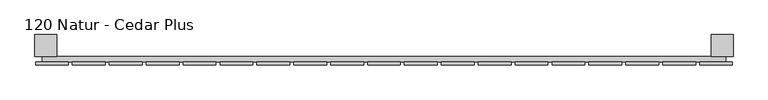
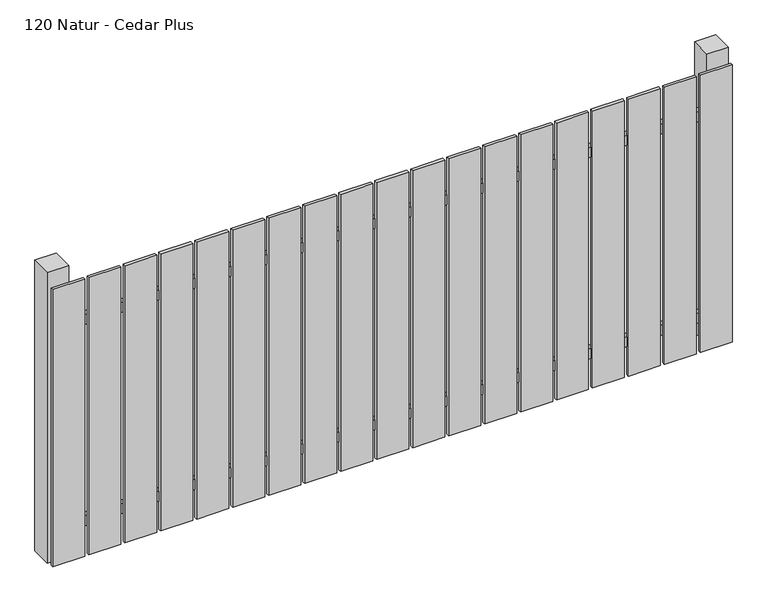
"""IFC4 building model written with IfcOpenShell, lengths in millimetres: railing geometry, 120 Natur - Cedar Plus."""

from ifc_helpers import new_model, si_unit, frame, origin, origin_with_axes, place, context, project, spatial, polyline, outline, extrude, source, transform, mapped, element, save


def railing_120_natur_cedar_plus_8f71faf3(model_context):
    return source(origin(), model_context, "Body", "SweptSolid", [
        extrude(outline(polyline([(11087.4299228, -85439.0267127), (11087.4299228, -85419.0267127), (13587.4299228, -85419.0267127), (13587.4299228, -85439.0267127), (11087.4299228, -85439.0267127)])), frame((0.0, 0.0, 110.0), z_axis=(0.0, 0.0, 1.0), x_axis=(1.0, 0.0, 0.0)), (0.0, 0.0, 1.0), 40.0),
        extrude(outline(polyline([(11087.4299228, -85439.0267127), (11087.4299228, -85419.0267127), (13587.4299228, -85419.0267127), (13587.4299228, -85439.0267127), (11087.4299228, -85439.0267127)])), frame((0.0, 0.0, 910.0), z_axis=(0.0, 0.0, 1.0), x_axis=(1.0, 0.0, 0.0)), (0.0, 0.0, 1.0), 40.0),
        extrude(outline(polyline([(13492.4299228, -85450.5267127), (13492.4299228, -85439.5267127), (13612.4299228, -85439.5267127), (13612.4299228, -85450.5267127), (13492.4299228, -85450.5267127)])), origin_with_axes(), (0.0, 0.0, 1.0), 1100.0),
        extrude(outline(polyline([(13357.4299228, -85450.5267127), (13357.4299228, -85439.5267127), (13477.4299228, -85439.5267127), (13477.4299228, -85450.5267127), (13357.4299228, -85450.5267127)])), origin_with_axes(), (0.0, 0.0, 1.0), 1100.0),
        extrude(outline(polyline([(13222.4299228, -85450.5267127), (13222.4299228, -85439.5267127), (13342.4299228, -85439.5267127), (13342.4299228, -85450.5267127), (13222.4299228, -85450.5267127)])), origin_with_axes(), (0.0, 0.0, 1.0), 1100.0),
        extrude(outline(polyline([(13087.4299228, -85450.5267127), (13087.4299228, -85439.5267127), (13207.4299228, -85439.5267127), (13207.4299228, -85450.5267127), (13087.4299228, -85450.5267127)])), origin_with_axes(), (0.0, 0.0, 1.0), 1100.0),
        extrude(outline(polyline([(12952.4299228, -85450.5267127), (12952.4299228, -85439.5267127), (13072.4299228, -85439.5267127), (13072.4299228, -85450.5267127), (12952.4299228, -85450.5267127)])), origin_with_axes(), (0.0, 0.0, 1.0), 1100.0),
        extrude(outline(polyline([(12817.4299228, -85450.5267127), (12817.4299228, -85439.5267127), (12937.4299228, -85439.5267127), (12937.4299228, -85450.5267127), (12817.4299228, -85450.5267127)])), origin_with_axes(), (0.0, 0.0, 1.0), 1100.0),
        extrude(outline(polyline([(12682.4299228, -85450.5267127), (12682.4299228, -85439.5267127), (12802.4299228, -85439.5267127), (12802.4299228, -85450.5267127), (12682.4299228, -85450.5267127)])), origin_with_axes(), (0.0, 0.0, 1.0), 1100.0),
        extrude(outline(polyline([(12547.4299228, -85450.5267127), (12547.4299228, -85439.5267127), (12667.4299228, -85439.5267127), (12667.4299228, -85450.5267127), (12547.4299228, -85450.5267127)])), origin_with_axes(), (0.0, 0.0, 1.0), 1100.0),
        extrude(outline(polyline([(12412.4299228, -85450.5267127), (12412.4299228, -85439.5267127), (12532.4299228, -85439.5267127), (12532.4299228, -85450.5267127), (12412.4299228, -85450.5267127)])), origin_with_axes(), (0.0, 0.0, 1.0), 1100.0),
        extrude(outline(polyline([(12277.4299228, -85450.5267127), (12277.4299228, -85439.5267127), (12397.4299228, -85439.5267127), (12397.4299228, -85450.5267127), (12277.4299228, -85450.5267127)])), origin_with_axes(), (0.0, 0.0, 1.0), 1100.0),
        extrude(outline(polyline([(12142.4299228, -85450.5267127), (12142.4299228, -85439.5267127), (12262.4299228, -85439.5267127), (12262.4299228, -85450.5267127), (12142.4299228, -85450.5267127)])), origin_with_axes(), (0.0, 0.0, 1.0), 1100.0),
        extrude(outline(polyline([(12007.4299228, -85450.5267127), (12007.4299228, -85439.5267127), (12127.4299228, -85439.5267127), (12127.4299228, -85450.5267127), (12007.4299228, -85450.5267127)])), origin_with_axes(), (0.0, 0.0, 1.0), 1100.0),
        extrude(outline(polyline([(11872.4299228, -85450.5267127), (11872.4299228, -85439.5267127), (11992.4299228, -85439.5267127), (11992.4299228, -85450.5267127), (11872.4299228, -85450.5267127)])), origin_with_axes(), (0.0, 0.0, 1.0), 1100.0),
        extrude(outline(polyline([(11737.4299228, -85450.5267127), (11737.4299228, -85439.5267127), (11857.4299228, -85439.5267127), (11857.4299228, -85450.5267127), (11737.4299228, -85450.5267127)])), origin_with_axes(), (0.0, 0.0, 1.0), 1100.0),
        extrude(outline(polyline([(11602.4299228, -85450.5267127), (11602.4299228, -85439.5267127), (11722.4299228, -85439.5267127), (11722.4299228, -85450.5267127), (11602.4299228, -85450.5267127)])), origin_with_axes(), (0.0, 0.0, 1.0), 1100.0),
        extrude(outline(polyline([(11467.4299228, -85450.5267127), (11467.4299228, -85439.5267127), (11587.4299228, -85439.5267127), (11587.4299228, -85450.5267127), (11467.4299228, -85450.5267127)])), origin_with_axes(), (0.0, 0.0, 1.0), 1100.0),
        extrude(outline(polyline([(11332.4299228, -85450.5267127), (11332.4299228, -85439.5267127), (11452.4299228, -85439.5267127), (11452.4299228, -85450.5267127), (11332.4299228, -85450.5267127)])), origin_with_axes(), (0.0, 0.0, 1.0), 1100.0),
        extrude(outline(polyline([(11197.4299228, -85450.5267127), (11197.4299228, -85439.5267127), (11317.4299228, -85439.5267127), (11317.4299228, -85450.5267127), (11197.4299228, -85450.5267127)])), origin_with_axes(), (0.0, 0.0, 1.0), 1100.0),
        extrude(outline(polyline([(11062.4299228, -85450.5267127), (11062.4299228, -85439.5267127), (11182.4299228, -85439.5267127), (11182.4299228, -85450.5267127), (11062.4299228, -85450.5267127)])), origin_with_axes(), (0.0, 0.0, 1.0), 1100.0),
        extrude(outline(polyline([(13534.9299228, -85339.0267127), (13614.9299228, -85339.0267127), (13614.9299228, -85419.0267127), (13534.9299228, -85419.0267127), (13534.9299228, -85339.0267127)])), frame((0.0, 0.0, -4.0), z_axis=(0.0, 0.0, 1.0), x_axis=(1.0, 0.0, 0.0)), (0.0, 0.0, 1.0), 1154.0),
        extrude(outline(polyline([(11059.9299228, -85339.0267127), (11139.9299228, -85339.0267127), (11139.9299228, -85419.0267127), (11059.9299228, -85419.0267127), (11059.9299228, -85339.0267127)])), frame((0.0, 0.0, -4.0), z_axis=(0.0, 0.0, 1.0), x_axis=(1.0, 0.0, 0.0)), (0.0, 0.0, 1.0), 1154.0),
    ])


if __name__ == "__main__":
    model = new_model("IFC4")
    model_context = context("Model", 3, world=origin())
    ifc_project = project(units=[si_unit("LENGTHUNIT", "METRE", prefix="MILLI")], contexts=[model_context])
    site = spatial("IfcSite", under=ifc_project)
    building = spatial("IfcBuilding", under=site)
    placement = place(None, origin())
    railing_120_natur_cedar_plus_shape = railing_120_natur_cedar_plus_8f71faf3(model_context)
    element("IfcRailing", 1, ObjectType="120 Natur - Cedar Plus", at=placement, inside=building, context=model_context, shape_type="MappedRepresentation", body=[
        mapped(railing_120_natur_cedar_plus_shape, transform((0.0, 0.0, 0.0), x_axis=(1.0, 0.0, 0.0), y_axis=(0.0, 1.0, 0.0), z_axis=(0.0, 0.0, 1.0))),
    ])
    save(model, "model.ifc")
